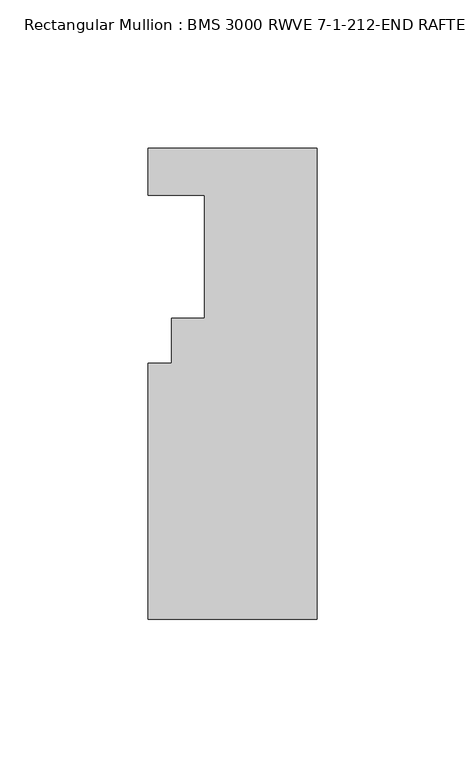
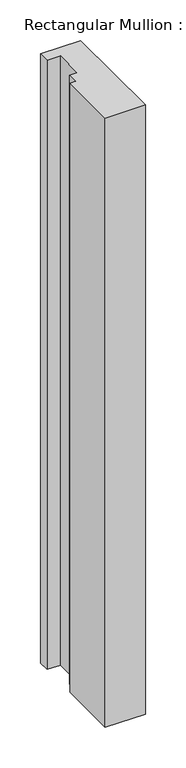
"""IFC4 building model written with IfcOpenShell, lengths in millimetres: member geometry, Rectangular Mullion : BMS 3000 RWVE 7-1-212-END RAFTER-HORIZ-MIR."""

from ifc_helpers import new_model, si_unit, frame, origin, place, context, project, spatial, polyline, outline, extrude, source, transform, mapped, element, save


def rectangular_mullion_bms_3000_rwve_7_1_212_end_rafter_horiz_fe9be82f(model_context):
    return source(origin(), model_context, "Body", "SweptSolid", [
        extrude(outline(polyline([(-57.15, -152.9953125), (-57.15, -66.4575125), (-49.2252, -66.4575125), (-49.2252, -51.3953125), (-38.1, -51.3953125), (-38.1, -9.7393125), (-57.15, -9.7393125), (-57.15, 6.1356875), (0.0, 6.1356875), (0.0, -152.9953125), (-57.15, -152.9953125)])), frame((0.0, 0.0, -914.4), z_axis=(0.0, 0.0, 1.0), x_axis=(1.0, 0.0, 0.0)), (0.0, 0.0, 1.0), 914.4),
    ])


if __name__ == "__main__":
    model = new_model("IFC4")
    model_context = context("Model", 3, world=origin())
    ifc_project = project(units=[si_unit("LENGTHUNIT", "METRE", prefix="MILLI")], contexts=[model_context])
    site = spatial("IfcSite", under=ifc_project)
    building = spatial("IfcBuilding", under=site)
    placement = place(None, origin())
    rectangular_mullion_bms_3000_rwve_7_1_212_end_rafter_horiz_shape = rectangular_mullion_bms_3000_rwve_7_1_212_end_rafter_horiz_fe9be82f(model_context)
    element("IfcMember", 1, ObjectType="Rectangular Mullion : BMS 3000 RWVE 7-1-212-END RAFTER-HORIZ-MIR", at=placement, inside=building, context=model_context, shape_type="MappedRepresentation", body=[
        mapped(rectangular_mullion_bms_3000_rwve_7_1_212_end_rafter_horiz_shape, transform((0.0, 0.0, 0.0), x_axis=(1.0, 0.0, 0.0), y_axis=(0.0, 1.0, 0.0), z_axis=(0.0, 0.0, 1.0))),
    ])
    save(model, "model.ifc")
